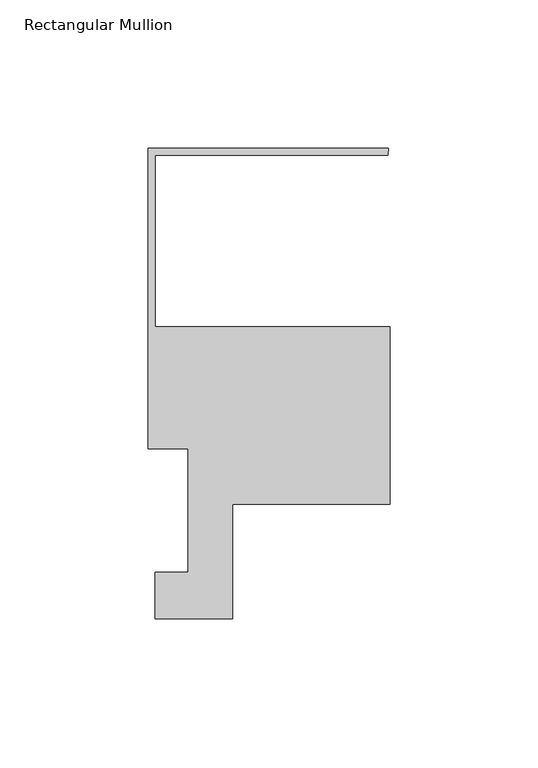
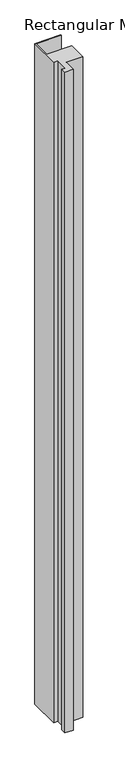
"""IFC4 building model written with IfcOpenShell, lengths in millimetres: member geometry, Rectangular Mullion."""

from ifc_helpers import new_model, si_unit, frame, origin, place, context, project, spatial, polyline, outline, extrude, source, transform, mapped, element, save


def rectangular_mullion_0d2c4c61(model_context):
    return source(origin(), model_context, "Body", "SweptSolid", [
        extrude(outline(polyline([(-53.1876, -55.7196625), (-79.375, -55.7196625), (-79.375, -39.9438812), (-68.2625, -39.9438812), (-68.2625, 1.6867188), (-81.7626, 1.6867188), (-81.7626, 103.2867188), (-0.4064, 103.2867188), (-0.6152879, 100.8991188), (-79.375, 100.8991188), (-79.375, 42.9617188), (0.0, 42.9617188), (0.0, -17.0330812), (-53.1876, -17.0330812), (-53.1876, -55.7196625)])), frame((0.0, 0.0, -2198.5871608), z_axis=(0.0, 0.0, 1.0), x_axis=(1.0, 0.0, 0.0)), (0.0, 0.0, 1.0), 2198.5871608),
    ])


if __name__ == "__main__":
    model = new_model("IFC4")
    model_context = context("Model", 3, world=origin())
    ifc_project = project(units=[si_unit("LENGTHUNIT", "METRE", prefix="MILLI")], contexts=[model_context])
    site = spatial("IfcSite", under=ifc_project)
    building = spatial("IfcBuilding", under=site)
    placement = place(None, origin())
    rectangular_mullion_shape = rectangular_mullion_0d2c4c61(model_context)
    element("IfcMember", 1, ObjectType="Rectangular Mullion", at=placement, inside=building, context=model_context, shape_type="MappedRepresentation", body=[
        mapped(rectangular_mullion_shape, transform((0.0, 0.0, 0.0), x_axis=(1.0, 0.0, 0.0), y_axis=(0.0, 1.0, 0.0), z_axis=(0.0, 0.0, 1.0))),
    ])
    save(model, "model.ifc")
